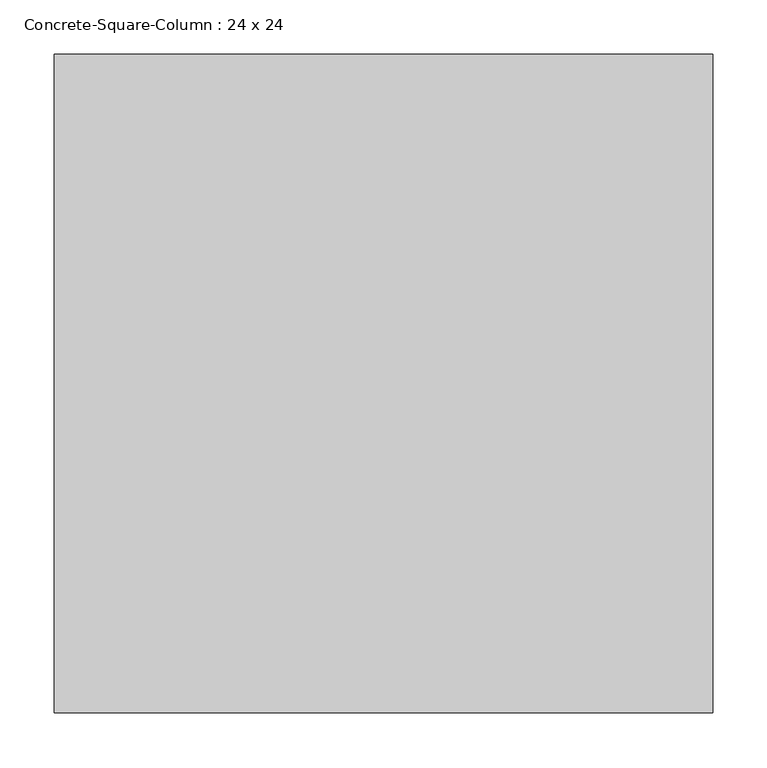
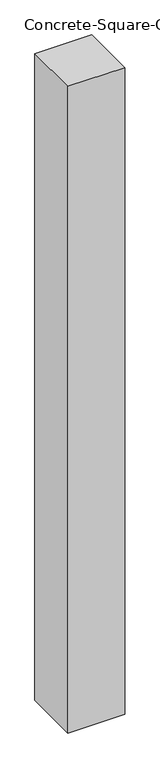
"""IFC4 building model written with IfcOpenShell, lengths in millimetres: column geometry, Concrete-Square-Column : 24 x 24."""

import ifcopenshell
import ifcopenshell.guid

model = None  # the IFC model being written
_history = None  # IfcOwnerHistory: only IFC2X3 demands one
_inside = {}  # id of a spatial element -> (the spatial element, [elements in it])
_under = {}  # id of a project, library or spatial element -> (it, [spatial elements below it])
_declared = {}  # id of a project -> (the project, [libraries it declares])
_typed = {}  # id of a type object -> (the type object, [elements of that type])
_made_of = {}  # id of a material, layer set ... -> (it, [elements and type objects made of it])


def new_model(schema):
    """Start an empty IFC model of exactly this schema.

    Asked for "IFC4X3", IfcOpenShell would pick the latest addendum, in which some entities
    have other attributes; the version numbers below select the first issue.
    IFC2X3 requires an IfcOwnerHistory on every rooted entity: one is made here for all.
    """
    global model, _history
    if schema == "IFC4X3":
        model = ifcopenshell.file(schema_version=(4, 3, 0, 0))
    else:
        model = ifcopenshell.file(schema=schema)
    _inside.clear()
    _under.clear()
    _declared.clear()
    _typed.clear()
    _made_of.clear()
    _history = None
    if model.schema == "IFC2X3":
        org = make("IfcOrganization", Name="unknown")
        user = make(
            "IfcPersonAndOrganization",
            ThePerson=make("IfcPerson", FamilyName="unknown"),
            TheOrganization=org,
        )
        app = make(
            "IfcApplication",
            ApplicationDeveloper=org,
            Version="unknown",
            ApplicationFullName="unknown",
            ApplicationIdentifier="unknown",
        )
        _history = make(
            "IfcOwnerHistory",
            OwningUser=user,
            OwningApplication=app,
            ChangeAction="ADDED",
            CreationDate=0,
        )
    return model


def make(cls, **values):
    """One entity of the class cls with the attributes given. An attribute that is None is left unset."""
    return model.create_entity(
        cls, **{name: value for name, value in values.items() if value is not None}
    )


def rooted(cls, **values):
    """An entity with a GlobalId (a new one), such as an element, a storey or a relation."""
    return make(cls, GlobalId=ifcopenshell.guid.new(), OwnerHistory=_history, **values)


def si_unit(unit_type, name, prefix=None):
    """IfcSIUnit, for example si_unit("LENGTHUNIT", "METRE", prefix="MILLI")."""
    return make("IfcSIUnit", UnitType=unit_type, Prefix=prefix, Name=name)


def assignment(units):
    """IfcUnitAssignment: the units of a project."""
    return None if units is None else make("IfcUnitAssignment", Units=units)


def point(xyz):
    """IfcCartesianPoint."""
    return None if xyz is None else make("IfcCartesianPoint", Coordinates=xyz)


def direction(xyz):
    """IfcDirection."""
    return None if xyz is None else make("IfcDirection", DirectionRatios=xyz)


def frame(location, z_axis=None, x_axis=None):
    """IfcAxis2Placement3D, a coordinate frame: its origin and axes. An axis left out is left unset."""
    return make(
        "IfcAxis2Placement3D",
        Location=point(location),
        Axis=direction(z_axis),
        RefDirection=direction(x_axis),
    )


def origin():
    """The frame at (0, 0, 0) with its axes left unset."""
    return frame((0.0, 0.0, 0.0))


def place(relative_to, where):
    """IfcLocalPlacement: puts the frame where relative to a parent placement (None: the world)."""
    return make(
        "IfcLocalPlacement", PlacementRelTo=relative_to, RelativePlacement=where
    )


def context(
    kind, dimensions, precision=None, world=None, true_north=None, identifier=None
):
    """IfcGeometricRepresentationContext, for example the 3D "Model" context."""
    return make(
        "IfcGeometricRepresentationContext",
        ContextIdentifier=identifier,
        ContextType=kind,
        CoordinateSpaceDimension=dimensions,
        Precision=precision,
        WorldCoordinateSystem=world,
        TrueNorth=true_north,
    )


def project(units=None, contexts=None):
    """IfcProject with its units and contexts."""
    return rooted(
        "IfcProject",
        Name="project",
        RepresentationContexts=contexts,
        UnitsInContext=assignment(units),
    )


def spatial(cls, under=None, at=None, **own):
    """A site, building, storey or space (cls), placed at a placement, below another one or the project."""
    s = rooted(cls, ObjectPlacement=at, **own)
    if under is not None:
        _under.setdefault(under.id(), (under, []))[1].append(s)
    return s


def polyline(points):
    """IfcPolyline through the points."""
    return make("IfcPolyline", Points=[point(p) for p in points])


def outline(outer, holes=None, kind="AREA"):
    """IfcArbitraryClosedProfileDef: a profile drawn as a closed curve; with holes, ...WithVoids."""
    if holes is None:
        return make("IfcArbitraryClosedProfileDef", ProfileType=kind, OuterCurve=outer)
    return make(
        "IfcArbitraryProfileDefWithVoids",
        ProfileType=kind,
        OuterCurve=outer,
        InnerCurves=holes,
    )


def extrude(swept, where, along, depth):
    """IfcExtrudedAreaSolid: the profile swept, set in the frame where, extruded along a direction by depth."""
    return make(
        "IfcExtrudedAreaSolid",
        SweptArea=swept,
        Position=where,
        ExtrudedDirection=direction(along),
        Depth=depth,
    )


def shape(context_of_items, identifier, shape_type, items):
    """IfcShapeRepresentation: the items that make up one representation, for example the "Body"."""
    return make(
        "IfcShapeRepresentation",
        ContextOfItems=context_of_items,
        RepresentationIdentifier=identifier,
        RepresentationType=shape_type,
        Items=items,
    )


def source(mapping_origin, context_of_items, identifier, shape_type, items):
    """IfcRepresentationMap: a shape defined once, which mapped items show again and again."""
    return make(
        "IfcRepresentationMap",
        MappingOrigin=mapping_origin,
        MappedRepresentation=shape(context_of_items, identifier, shape_type, items),
    )


def transform(
    local_origin,
    x_axis=None,
    y_axis=None,
    z_axis=None,
    scale=None,
    scale2=None,
    scale3=None,
    uniform=True,
):
    """IfcCartesianTransformationOperator3D, or its non-uniform kind. x_axis, y_axis, z_axis: its Axis1, 2, 3."""
    if uniform:
        return make(
            "IfcCartesianTransformationOperator3D",
            Axis1=direction(x_axis),
            Axis2=direction(y_axis),
            LocalOrigin=point(local_origin),
            Scale=scale,
            Axis3=direction(z_axis),
        )
    return make(
        "IfcCartesianTransformationOperator3DnonUniform",
        Axis1=direction(x_axis),
        Axis2=direction(y_axis),
        LocalOrigin=point(local_origin),
        Scale=scale,
        Axis3=direction(z_axis),
        Scale2=scale2,
        Scale3=scale3,
    )


def mapped(mapping_source, mapping_target):
    """IfcMappedItem: shows the shape of a source again, moved by a transform."""
    return make(
        "IfcMappedItem", MappingSource=mapping_source, MappingTarget=mapping_target
    )


def made_of(thing, what):
    """Note that an element or type object is made of a material, layer set ...; save() writes the relation."""
    if what is not None:
        _made_of.setdefault(what.id(), (what, []))[1].append(thing)
    return thing


def element(
    cls,
    number,
    at=None,
    inside=None,
    cuts=None,
    type_object=None,
    material=None,
    context=None,
    identifier="Body",
    shape_type=None,
    held_by="IfcProductDefinitionShape",
    body=None,
    shapes=None,
    **own,
):
    """One element of the class cls, such as IfcWall. Its Tag is "e" and its number.

    at: its placement. inside: the storey or other place that contains it. cuts: it is an
    opening in that element (IfcRelVoidsElement). A single representation is given by context,
    identifier, shape_type and body (its items); several are given by shapes. held_by: the class
    of the entity that holds the representations. save() writes the other relations.
    """
    e = rooted(cls, Tag="e%d" % number, ObjectPlacement=at, **own)
    if body is not None:
        shapes = [shape(context, identifier, shape_type, body)]
    if shapes is not None:
        e.Representation = make(held_by, Representations=shapes)
    if inside is not None:
        _inside.setdefault(inside.id(), (inside, []))[1].append(e)
    if cuts is not None:
        rooted(
            "IfcRelVoidsElement", RelatingBuildingElement=cuts, RelatedOpeningElement=e
        )
    if type_object is not None:
        _typed.setdefault(type_object.id(), (type_object, []))[1].append(e)
    return made_of(e, material)


def aggregate(whole, parts):
    """IfcRelAggregates: a whole, such as a stair, and the parts it consists of."""
    return rooted("IfcRelAggregates", RelatingObject=whole, RelatedObjects=parts)


def save(model, path):
    """Write the relations noted so far, then the file.

    IfcRelAggregates (storeys below a building ...), IfcRelContainedInSpatialStructure (elements
    in a storey), IfcRelDefinesByType, IfcRelAssociatesMaterial and IfcRelDeclares: one each for
    every whole, place, type object, material and project.
    """
    for whole, parts in _under.values():
        aggregate(whole, parts)
    for where, things in _inside.values():
        rooted(
            "IfcRelContainedInSpatialStructure",
            RelatedElements=things,
            RelatingStructure=where,
        )
    for kind, things in _typed.values():
        rooted("IfcRelDefinesByType", RelatedObjects=things, RelatingType=kind)
    for what, things in _made_of.values():
        rooted("IfcRelAssociatesMaterial", RelatedObjects=things, RelatingMaterial=what)
    for by, libraries in _declared.values():
        rooted("IfcRelDeclares", RelatingContext=by, RelatedDefinitions=libraries)
    model.write(path)


def concrete_square_column_24_x_24_13649658(model_context):
    return source(origin(), model_context, "Body", "SweptSolid", [
        extrude(outline(polyline([(304.8, 304.8), (304.8, -304.8), (-304.8, -304.8), (-304.8, 304.8), (304.8, 304.8)])), frame((0.0, 0.0, 36118.8), z_axis=(0.0, 0.0, 1.0), x_axis=(1.0, 0.0, 0.0)), (0.0, 0.0, 1.0), 7315.2),
    ])


if __name__ == "__main__":
    model = new_model("IFC4")
    model_context = context("Model", 3, world=origin())
    ifc_project = project(units=[si_unit("LENGTHUNIT", "METRE", prefix="MILLI")], contexts=[model_context])
    site = spatial("IfcSite", under=ifc_project)
    building = spatial("IfcBuilding", under=site)
    placement = place(None, origin())
    concrete_square_column_24_x_24_shape = concrete_square_column_24_x_24_13649658(model_context)
    element("IfcColumn", 1, ObjectType="Concrete-Square-Column : 24 x 24", at=placement, inside=building, context=model_context, shape_type="MappedRepresentation", body=[
        mapped(concrete_square_column_24_x_24_shape, transform((0.0, 0.0, 0.0), x_axis=(1.0, 0.0, 0.0), y_axis=(0.0, 1.0, 0.0), z_axis=(0.0, 0.0, 1.0))),
    ])
    save(model, "model.ifc")
